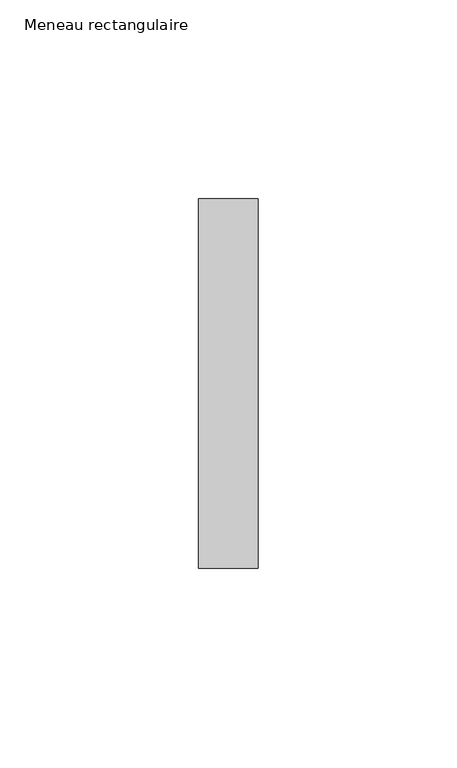
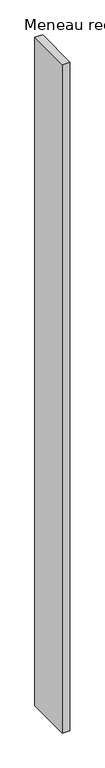
"""IFC4 building model written with IfcOpenShell, lengths in millimetres: member geometry, Meneau rectangulaire."""

from ifc_helpers import new_model, si_unit, frame, origin, place, context, project, spatial, polyline, outline, extrude, source, transform, mapped, element, save


def meneau_rectangulaire_e337c756(model_context):
    return source(origin(), model_context, "Body", "SweptSolid", [
        extrude(outline(polyline([(0.0, 46.5), (0.0, -46.5), (-15.0, -46.5), (-15.0, 46.5), (0.0, 46.5)])), frame((0.0, 0.0, -1388.256074), z_axis=(0.0, 0.0, 1.0), x_axis=(1.0, 0.0, 0.0)), (0.0, 0.0, 1.0), 1388.256074),
    ])


if __name__ == "__main__":
    model = new_model("IFC4")
    model_context = context("Model", 3, world=origin())
    ifc_project = project(units=[si_unit("LENGTHUNIT", "METRE", prefix="MILLI")], contexts=[model_context])
    site = spatial("IfcSite", under=ifc_project)
    building = spatial("IfcBuilding", under=site)
    placement = place(None, origin())
    meneau_rectangulaire_shape = meneau_rectangulaire_e337c756(model_context)
    element("IfcMember", 1, ObjectType="Meneau rectangulaire", at=placement, inside=building, context=model_context, shape_type="MappedRepresentation", body=[
        mapped(meneau_rectangulaire_shape, transform((0.0, 0.0, 0.0), x_axis=(1.0, 0.0, 0.0), y_axis=(0.0, 1.0, 0.0), z_axis=(0.0, 0.0, 1.0))),
    ])
    save(model, "model.ifc")
